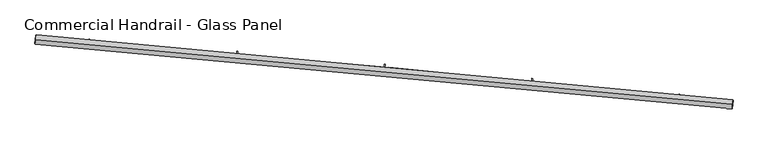
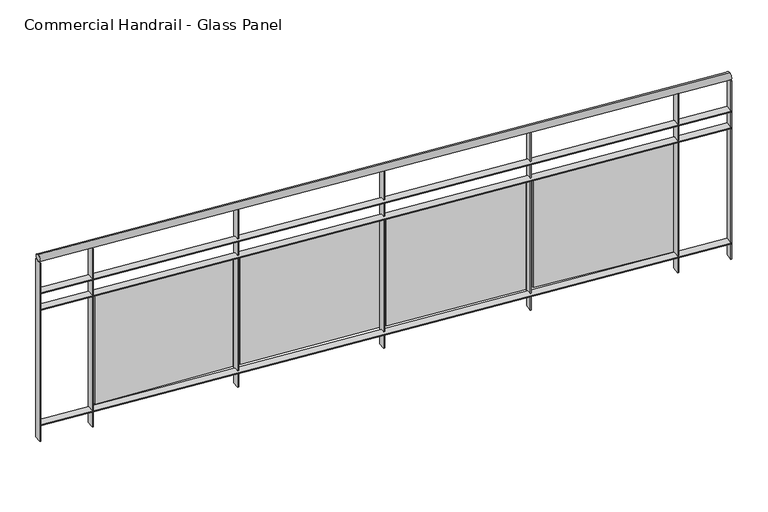
"""IFC4 building model written with IfcOpenShell, lengths in millimetres: railing geometry, Commercial Handrail - Glass Panel."""

from ifc_helpers import new_model, si_unit, point, frame, origin, place, context, project, spatial, polyline, circle_curve, ellipse_curve, trimmed, outline, extrude, source, transform, mapped, element, save
from ifc_brep_helpers import plane_surface, cylinder_surface, revolved_surface, advanced_brep


def commercial_handrail_glass_panel_d7433de7(model_context):
    return source(origin(), model_context, "Body", "SolidModel", [
        advanced_brep(
        [(134392.4186606, -8697.9244773, 6082.5), (130631.4894824, -8347.8645549, 6082.5), (130631.4894824, -8347.8645549, 6117.5), (134392.4186606, -8697.9244773, 6117.5)],
        [
            (0, 1, circle_curve(frame((123990.1653691, -100078.2018552, 6082.5), z_axis=(0.0, 0.0, 1.0), x_axis=(0.07221150688072363, 0.9973893413677606, 0.0)), 91970.4407253)),
            (1, 2, ellipse_curve(frame((130631.4894824, -8347.8645549, 6100.0), z_axis=(0.9973893413677601, -0.07221150688072997, 0.0), x_axis=(-0.07221150688072997, -0.9973893413677601, 0.0)), 25.0, 17.5)),
            (2, 3, circle_curve(frame((123990.1653691, -100078.2018552, 6117.5), z_axis=(0.0, 0.0, -1.0), x_axis=(0.07221150688072363, 0.9973893413677606, 0.0)), 91970.4407253)),
            (3, 0, ellipse_curve(frame((134392.4186606, -8697.9244773, 6100.0), z_axis=(-0.9935831192856617, 0.11310431057468397, 0.0), x_axis=(-0.11310431057468397, -0.9935831192856617, 0.0)), 25.0, 17.5)),
            (2, 1, ellipse_curve(frame((130631.4894824, -8347.8645549, 6100.0), z_axis=(0.9973893413677601, -0.07221150688072997, 0.0), x_axis=(-0.07221150688072997, -0.9973893413677601, 0.0)), 25.0, 17.5)),
            (0, 3, ellipse_curve(frame((134392.4186606, -8697.9244773, 6100.0), z_axis=(-0.9935831192856617, 0.11310431057468397, 0.0), x_axis=(-0.11310431057468397, -0.9935831192856617, 0.0)), 25.0, 17.5)),
        ],
        [
            revolved_surface(trimmed(ellipse_curve(frame((130631.4894824, -8347.8645549, 6100.0), z_axis=(-0.9973893413677606, 0.07221150688072363, 0.0), x_axis=(0.0, 0.0, -1.0)), 17.5, 25.0), [point((130631.4894824, -8347.8645549, 6117.5))], [point((130631.4894824, -8347.8645549, 6082.5))], True, "CARTESIAN"), (123990.1653691, -100078.2018552, 6100.0), (0.0, 0.0, -1.0)),
            revolved_surface(trimmed(ellipse_curve(frame((130631.4894824, -8347.8645549, 6100.0), z_axis=(-0.9973893413677606, 0.07221150688072363, 0.0), x_axis=(0.0, 0.0, -1.0)), 17.5, 25.0), [point((130631.4894824, -8347.8645549, 6082.5))], [point((130631.4894824, -8347.8645549, 6117.5))], True, "CARTESIAN"), (123990.1653691, -100078.2018552, 6100.0), (0.0, 0.0, -1.0)),
            plane_surface(frame((130631.4894824, -8347.8645549, 6100.0), z_axis=(-0.9973893413677607, 0.07221150688072363, 0.0), x_axis=(0.07221150688072363, 0.9973893413677607, 0.0))),
            plane_surface(frame((134392.4186606, -8697.9244773, 6100.0), z_axis=(0.9935831192856617, -0.11310431057468376, 0.0), x_axis=(0.11310431057468376, 0.9935831192856617, 0.0))),
        ],
        [
            (0, [[1, 2, 3, 4]]),
            (1, [[-3, 5, -1, 6]]),
            (2, [[-2, -5]]),
            (3, [[-6, -4]]),
        ],
    ),
        advanced_brep(
        [(134394.9635076, -8675.5688571, 5900.0), (130633.1142413, -8325.4232948, 5900.0), (130629.8647235, -8370.3058151, 5900.0), (134389.8738136, -8720.2800975, 5900.0), (134394.9635076, -8675.5688571, 5894.0), (130633.1142413, -8325.4232948, 5894.0), (134389.8738136, -8720.2800975, 5894.0), (130629.8647235, -8370.3058151, 5894.0)],
        [
            (0, 1, circle_curve(frame((123990.1653691, -100078.2018552, 5900.0), z_axis=(0.0, 0.0, 1.0), x_axis=(0.07221150688072363, 0.9973893413677606, 0.0)), 91992.9407253)),
            (1, 2),
            (2, 3, circle_curve(frame((123990.1653691, -100078.2018552, 5900.0), z_axis=(0.0, 0.0, -1.0), x_axis=(0.07221150688072363, 0.9973893413677606, 0.0)), 91947.9407253)),
            (3, 0),
            (4, 5, circle_curve(frame((123990.1653691, -100078.2018552, 5894.0), z_axis=(0.0, 0.0, 1.0), x_axis=(0.07221150688072363, 0.9973893413677606, 0.0)), 91992.9407253)),
            (5, 1),
            (0, 4),
            (6, 7, circle_curve(frame((123990.1653691, -100078.2018552, 5894.0), z_axis=(0.0, 0.0, 1.0), x_axis=(0.07221150688072363, 0.9973893413677606, 0.0)), 91947.9407253)),
            (7, 5),
            (4, 6),
            (2, 7),
            (6, 3),
        ],
        [
            plane_surface(frame((123990.1653691, -100078.2018552, 5900.0), z_axis=(0.0, 0.0, 1.0), x_axis=(0.07221150688072363, 0.9973893413677606, 0.0))),
            cylinder_surface(frame((123990.1653691, -100078.2018552, 5900.0), z_axis=(0.0, 0.0, -1.0), x_axis=(0.07221150688072363, 0.9973893413677606, 0.0)), 91992.9407253),
            plane_surface(frame((123990.1653691, -100078.2018552, 5894.0), z_axis=(0.0, 0.0, -1.0), x_axis=(0.07221150688072363, 0.9973893413677606, 0.0))),
            revolved_surface(polyline([(130629.86472345337, -8370.305815071144, 5894.0), (130629.86472345337, -8370.305815071144, 5900.0)]), (123990.1653691, -100078.2018552, 5900.0), (0.0, 0.0, -1.0)),
            plane_surface(frame((130631.4894824, -8347.8645549, 5900.0), z_axis=(-0.9973893413677607, 0.07221150688072363, 0.0), x_axis=(0.07221150688072363, 0.9973893413677607, 0.0))),
            plane_surface(frame((134392.4186606, -8697.9244773, 5900.0), z_axis=(0.9935831192856617, -0.11310431057468376, 0.0), x_axis=(0.11310431057468376, 0.9935831192856617, 0.0))),
        ],
        [
            (0, [[1, 2, 3, 4]]),
            (1, [[5, 6, -1, 7]]),
            (2, [[8, 9, -5, 10]]),
            (3, [[-3, 11, -8, 12]]),
            (4, [[-2, -6, -9, -11]]),
            (5, [[-12, -10, -7, -4]]),
        ],
    ),
        advanced_brep(
        [(134394.9635076, -8675.5688571, 5800.0), (130633.1142413, -8325.4232948, 5800.0), (130629.8647235, -8370.3058151, 5800.0), (134389.8738136, -8720.2800975, 5800.0), (134394.9635076, -8675.5688571, 5794.0), (130633.1142413, -8325.4232948, 5794.0), (134389.8738136, -8720.2800975, 5794.0), (130629.8647235, -8370.3058151, 5794.0)],
        [
            (0, 1, circle_curve(frame((123990.1653691, -100078.2018552, 5800.0), z_axis=(0.0, 0.0, 1.0), x_axis=(0.07221150688072363, 0.9973893413677606, 0.0)), 91992.9407253)),
            (1, 2),
            (2, 3, circle_curve(frame((123990.1653691, -100078.2018552, 5800.0), z_axis=(0.0, 0.0, -1.0), x_axis=(0.07221150688072363, 0.9973893413677606, 0.0)), 91947.9407253)),
            (3, 0),
            (4, 5, circle_curve(frame((123990.1653691, -100078.2018552, 5794.0), z_axis=(0.0, 0.0, 1.0), x_axis=(0.07221150688072363, 0.9973893413677606, 0.0)), 91992.9407253)),
            (5, 1),
            (0, 4),
            (6, 7, circle_curve(frame((123990.1653691, -100078.2018552, 5794.0), z_axis=(0.0, 0.0, 1.0), x_axis=(0.07221150688072363, 0.9973893413677606, 0.0)), 91947.9407253)),
            (7, 5),
            (4, 6),
            (2, 7),
            (6, 3),
        ],
        [
            plane_surface(frame((123990.1653691, -100078.2018552, 5800.0), z_axis=(0.0, 0.0, 1.0), x_axis=(0.07221150688072363, 0.9973893413677606, 0.0))),
            cylinder_surface(frame((123990.1653691, -100078.2018552, 5800.0), z_axis=(0.0, 0.0, -1.0), x_axis=(0.07221150688072363, 0.9973893413677606, 0.0)), 91992.9407253),
            plane_surface(frame((123990.1653691, -100078.2018552, 5794.0), z_axis=(0.0, 0.0, -1.0), x_axis=(0.07221150688072363, 0.9973893413677606, 0.0))),
            revolved_surface(polyline([(130629.86472345337, -8370.305815071144, 5794.0), (130629.86472345337, -8370.305815071144, 5800.0)]), (123990.1653691, -100078.2018552, 5800.0), (0.0, 0.0, -1.0)),
            plane_surface(frame((130631.4894824, -8347.8645549, 5800.0), z_axis=(-0.9973893413677607, 0.07221150688072363, 0.0), x_axis=(0.07221150688072363, 0.9973893413677607, 0.0))),
            plane_surface(frame((134392.4186606, -8697.9244773, 5800.0), z_axis=(0.9935831192856617, -0.11310431057468376, 0.0), x_axis=(0.11310431057468376, 0.9935831192856617, 0.0))),
        ],
        [
            (0, [[1, 2, 3, 4]]),
            (1, [[5, 6, -1, 7]]),
            (2, [[8, 9, -5, 10]]),
            (3, [[-3, 11, -8, 12]]),
            (4, [[-2, -6, -9, -11]]),
            (5, [[-12, -10, -7, -4]]),
        ],
    ),
        advanced_brep(
        [(134394.9635076, -8675.5688571, 5100.0), (130633.1142413, -8325.4232948, 5100.0), (130629.8647235, -8370.3058151, 5100.0), (134389.8738136, -8720.2800975, 5100.0), (134394.9635076, -8675.5688571, 5094.0), (130633.1142413, -8325.4232948, 5094.0), (134389.8738136, -8720.2800975, 5094.0), (130629.8647235, -8370.3058151, 5094.0)],
        [
            (0, 1, circle_curve(frame((123990.1653691, -100078.2018552, 5100.0), z_axis=(0.0, 0.0, 1.0), x_axis=(0.07221150688072363, 0.9973893413677606, 0.0)), 91992.9407253)),
            (1, 2),
            (2, 3, circle_curve(frame((123990.1653691, -100078.2018552, 5100.0), z_axis=(0.0, 0.0, -1.0), x_axis=(0.07221150688072363, 0.9973893413677606, 0.0)), 91947.9407253)),
            (3, 0),
            (4, 5, circle_curve(frame((123990.1653691, -100078.2018552, 5094.0), z_axis=(0.0, 0.0, 1.0), x_axis=(0.07221150688072363, 0.9973893413677606, 0.0)), 91992.9407253)),
            (5, 1),
            (0, 4),
            (6, 7, circle_curve(frame((123990.1653691, -100078.2018552, 5094.0), z_axis=(0.0, 0.0, 1.0), x_axis=(0.07221150688072363, 0.9973893413677606, 0.0)), 91947.9407253)),
            (7, 5),
            (4, 6),
            (2, 7),
            (6, 3),
        ],
        [
            plane_surface(frame((123990.1653691, -100078.2018552, 5100.0), z_axis=(0.0, 0.0, 1.0), x_axis=(0.07221150688072363, 0.9973893413677606, 0.0))),
            cylinder_surface(frame((123990.1653691, -100078.2018552, 5100.0), z_axis=(0.0, 0.0, -1.0), x_axis=(0.07221150688072363, 0.9973893413677606, 0.0)), 91992.9407253),
            plane_surface(frame((123990.1653691, -100078.2018552, 5094.0), z_axis=(0.0, 0.0, -1.0), x_axis=(0.07221150688072363, 0.9973893413677606, 0.0))),
            revolved_surface(polyline([(130629.86472345337, -8370.305815071144, 5094.0), (130629.86472345337, -8370.305815071144, 5100.0)]), (123990.1653691, -100078.2018552, 5100.0), (0.0, 0.0, -1.0)),
            plane_surface(frame((130631.4894824, -8347.8645549, 5100.0), z_axis=(-0.9973893413677607, 0.07221150688072363, 0.0), x_axis=(0.07221150688072363, 0.9973893413677607, 0.0))),
            plane_surface(frame((134392.4186606, -8697.9244773, 5100.0), z_axis=(0.9935831192856617, -0.11310431057468376, 0.0), x_axis=(0.11310431057468376, 0.9935831192856617, 0.0))),
        ],
        [
            (0, [[1, 2, 3, 4]]),
            (1, [[5, 6, -1, 7]]),
            (2, [[8, 9, -5, 10]]),
            (3, [[-3, 11, -8, 12]]),
            (4, [[-2, -6, -9, -11]]),
            (5, [[-12, -10, -7, -4]]),
        ],
    ),
        extrude(outline(polyline([(134100.038637, -8687.7522714), (134104.9879428, -8643.0252732), (134110.9515425, -8643.6851806), (134106.0022367, -8688.4121789), (134100.038637, -8687.7522714)])), frame((0.0, 0.0, 5000.0), z_axis=(0.0, 0.0, 1.0), x_axis=(1.0, 0.0, 0.0)), (0.0, 0.0, 1.0), 1082.1192282),
        extrude(outline(polyline([(133330.5884692, -8576.4721186), (134086.3341715, -8656.7742575), (134085.066243, -8668.7070844), (133329.3205407, -8588.4049454), (133330.5884692, -8576.4721186)])), frame((0.0, 0.0, 5120.0), z_axis=(0.0, 0.0, 1.0), x_axis=(1.0, 0.0, 0.0)), (0.0, 0.0, 1.0), 660.0),
        extrude(outline(polyline([(133304.7112147, -8603.2705991), (133309.2712828, -8558.5022422), (133315.240397, -8559.1102513), (133310.680329, -8603.8786082), (133304.7112147, -8603.2705991)])), frame((0.0, 0.0, 5000.0), z_axis=(0.0, 0.0, 1.0), x_axis=(1.0, 0.0, 0.0)), (0.0, 0.0, 1.0), 1082.1192282),
        extrude(outline(polyline([(132534.3222039, -8498.6875932), (133290.7378105, -8572.4129632), (133289.5737257, -8584.3563675), (132533.1581191, -8510.6309975), (132534.3222039, -8498.6875932)])), frame((0.0, 0.0, 5120.0), z_axis=(0.0, 0.0, 1.0), x_axis=(1.0, 0.0, 0.0)), (0.0, 0.0, 1.0), 660.0),
        extrude(outline(polyline([(132508.6790306, -8525.710149), (132512.8495159, -8480.9038207), (132518.823693, -8481.4598854), (132514.6532077, -8526.2662137), (132508.6790306, -8525.710149)])), frame((0.0, 0.0, 5000.0), z_axis=(0.0, 0.0, 1.0), x_axis=(1.0, 0.0, 0.0)), (0.0, 0.0, 1.0), 1082.1192282),
        extrude(outline(polyline([(131737.4094664, -8427.832203), (132494.4377449, -8494.9752258), (132493.3775919, -8506.9283039), (131736.3493134, -8439.7852811), (131737.4094664, -8427.832203)])), frame((0.0, 0.0, 5120.0), z_axis=(0.0, 0.0, 1.0), x_axis=(1.0, 0.0, 0.0)), (0.0, 0.0, 1.0), 660.0),
        extrude(outline(polyline([(131712.0023145, -8455.0767895), (131715.7829014, -8410.23588), (131721.7616894, -8410.7399583), (131717.9811024, -8455.5808678), (131712.0023145, -8455.0767895)])), frame((0.0, 0.0, 5000.0), z_axis=(0.0, 0.0, 1.0), x_axis=(1.0, 0.0, 0.0)), (0.0, 0.0, 1.0), 1082.1192282),
        extrude(outline(polyline([(130939.9105529, -8363.9113091), (131697.4942248, -8424.4669046), (131696.5380838, -8436.428752), (130938.954412, -8375.8731566), (130939.9105529, -8363.9113091)])), frame((0.0, 0.0, 5120.0), z_axis=(0.0, 0.0, 1.0), x_axis=(1.0, 0.0, 0.0)), (0.0, 0.0, 1.0), 660.0),
        extrude(outline(polyline([(130914.7413448, -8391.3758649), (130918.1317474, -8346.503767), (130924.1146938, -8346.9558207), (130920.7242912, -8391.8279186), (130914.7413448, -8391.3758649)])), frame((0.0, 0.0, 5000.0), z_axis=(0.0, 0.0, 1.0), x_axis=(1.0, 0.0, 0.0)), (0.0, 0.0, 1.0), 1082.1192282),
        extrude(outline(polyline([(134386.8930643, -8719.9407846), (134391.9827582, -8675.2295442), (134397.9442569, -8675.9081701), (134392.854563, -8720.6194104), (134386.8930643, -8719.9407846)])), frame((0.0, 0.0, 5000.0), z_axis=(0.0, 0.0, 1.0), x_axis=(1.0, 0.0, 0.0)), (0.0, 0.0, 1.0), 1082.1192282),
        extrude(outline(polyline([(130626.8725554, -8370.0891806), (130630.1220733, -8325.2066602), (130636.1064093, -8325.6399293), (130632.8568915, -8370.5224496), (130626.8725554, -8370.0891806)])), frame((0.0, 0.0, 5000.0), z_axis=(0.0, 0.0, 1.0), x_axis=(1.0, 0.0, 0.0)), (0.0, 0.0, 1.0), 1082.1192282),
    ])


if __name__ == "__main__":
    model = new_model("IFC4")
    model_context = context("Model", 3, world=origin())
    ifc_project = project(units=[si_unit("LENGTHUNIT", "METRE", prefix="MILLI")], contexts=[model_context])
    site = spatial("IfcSite", under=ifc_project)
    building = spatial("IfcBuilding", under=site)
    placement = place(None, origin())
    commercial_handrail_glass_panel_shape = commercial_handrail_glass_panel_d7433de7(model_context)
    element("IfcRailing", 1, ObjectType="Commercial Handrail - Glass Panel", at=placement, inside=building, context=model_context, shape_type="MappedRepresentation", body=[
        mapped(commercial_handrail_glass_panel_shape, transform((0.0, 0.0, 0.0), x_axis=(1.0, 0.0, 0.0), y_axis=(0.0, 1.0, 0.0), z_axis=(0.0, 0.0, 1.0))),
    ])
    save(model, "model.ifc")
